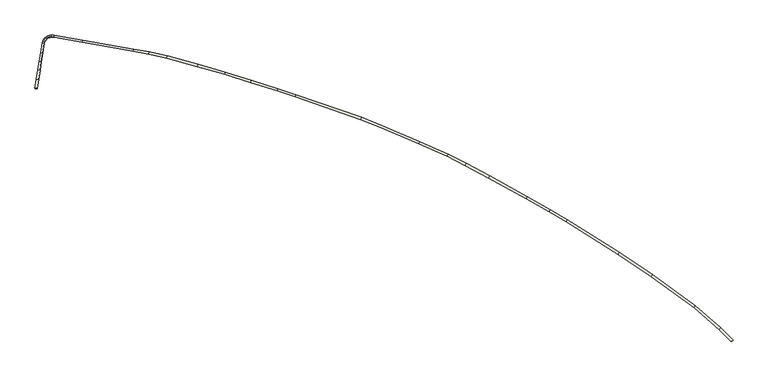
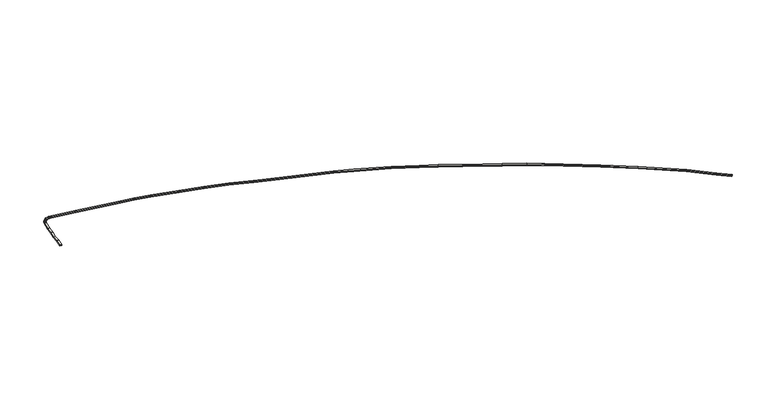
"""IFC4 building model written with IfcOpenShell, lengths in millimetres: wall geometry."""

from ifc_helpers import new_model, si_unit, origin, place, context, project, spatial, faceted_brep, source, transform, mapped, element, save


def wall_0bf5ddca(model_context):
    return source(origin(), model_context, "Body", "Brep", [
        faceted_brep([(149626.2811787, 102196.3320789, -1860.082238), (149448.3820604, 102018.3950708, -1860.5026979), (149454.843103, 102012.2655499, -2000.2191389), (149632.7422213, 102190.2025579, -1999.7986791), (137141.7613192, 111521.5859059, -1975.5420804), (137278.8207194, 111732.6400518, -1975.6538786), (131676.1527047, 115233.5755831, -1900.0361662), (131544.67973, 115019.0306511, -1899.9997664), (137140.9158856, 111522.0738202, -2115.5400807), (131543.9823453, 115019.4260542, -2039.999765), (137277.9752858, 111733.1279661, -2115.651879), (131675.45532, 115233.9709862, -2040.0361648), (129836.2048048, 116339.1278172, -1900.0361662), (129710.3779349, 116121.1903632, -1899.9997664), (129711.2898602, 116120.6187953, -2039.999765), (129837.1167301, 116338.5562493, -2040.0361648), (127329.3050178, 117728.7250603, -1944.0717251), (127207.3188008, 117508.6586976, -1943.9678614), (123133.2807413, 119766.9490946, -1985.3905702), (123133.4875562, 119766.7683801, -2125.3937061), (127208.7756994, 117507.785046, -2083.9582871), (127330.7619164, 117727.8514087, -2084.0621508), (123253.5523599, 119987.8998063, -2125.5171057), (123253.345545, 119988.0805208, -1985.5139698), (120706.597443, 121342.1964116, -1970.9063971), (120590.4105247, 121119.0030839, -1970.8052402), (120590.2068172, 121119.0406437, -2110.8060214), (120706.3937355, 121342.2339715, -2110.9071783), (118738.6059957, 122344.9381384, -1975.8438502), (118630.2463957, 122117.7565928, -1975.7230555), (118628.9456456, 122118.3531237, -2115.7265891), (118737.3052456, 122345.5346694, -2115.8473838), (115679.3914718, 123706.988199, -1899.9221582), (115579.0560545, 123476.234057, -1900.0005027), (115577.6126482, 123476.8941026, -2040.0004959), (115677.9480654, 123707.6482446, -2039.9221514), (111588.3328064, 125443.5395741, -1899.9221582), (109373.5423761, 126338.372997, -1899.9351388), (109285.3951387, 126102.6118359, -1900.0134356), (111492.0404476, 125211.0692556, -1900.0005027), (111492.0571299, 125211.1095303, -2040.0004959), (109286.1785116, 126102.3423475, -2040.0134243), (109374.3257491, 126338.1035086, -2039.9351275), (111588.3494887, 125443.5798488, -2039.9221514), (102257.0530835, 128788.7767659, -1988.9381528), (102175.1354208, 128550.8705901, -1988.9385752), (100227.3887087, 129221.5335294, -1992.2366995), (100225.4598855, 129222.197925, -2132.2401452), (102176.0242145, 128550.5648025, -2128.9372498), (102257.9418771, 128788.4709782, -2128.9368274), (100304.0166694, 129461.261344, -2132.2454138), (100305.9454927, 129460.5969484, -1992.2419681), (97439.5548043, 130357.8220598, -1899.8966209), (97364.3911576, 130117.6965357, -1900.0006676), (94520.1448015, 131008.055092, -1958.5047012), (94522.2569792, 131007.4545264, -2098.4885697), (97363.6661265, 130117.9841256, -2040.0428953), (97438.8297732, 130358.1096497, -2039.9388486), (94594.5253688, 131248.4863773, -2098.4440763), (94592.4131911, 131249.086943, -1958.4602078), (91645.9415363, 132093.9095114, -1994.4415814), (91578.6977198, 131851.436953, -1994.4247162), (91580.3365008, 131850.972196, -2134.4143658), (91647.5803174, 132093.4447544, -2134.431231), (88297.5163505, 132991.1173359, -2038.1068505), (88236.6351869, 132746.9399097, -2038.0070129), (88237.9638852, 132746.5582392, -2178.0007062), (88298.8450488, 132990.7356653, -2178.1005438), (86338.1457236, 133443.4736882, -2052.4616835), (86287.9637087, 133196.826169, -2052.2834612), (86288.745353, 133196.5707958, -2192.2811624), (86338.9273679, 133443.2183151, -2192.4593846), (84657.5258581, 133739.8123148, -2060.1876404), (84613.832161, 133492.0207301, -2059.9795908), (79098.9057052, 134464.433315, -2106.4678193), (76046.0682942, 135002.7145491, -2139.9978748), (76046.8002137, 135002.4679421, -2279.9977567), (79100.2034617, 134464.0869387, -2246.4614864), (84614.6964066, 133491.7507921, -2199.9769122), (84658.3901037, 133739.5423768, -2200.1849618), (79143.897803, 134711.8784098, -2246.6695306), (76079.6751894, 135252.1671012, -2280.3246326), (76078.94327, 135252.4137082, -2140.3247507), (79142.6000465, 134712.2247861, -2106.6758634), (75807.2058481, 135276.2213061, -2140.3247785), (75807.1982955, 135023.6465628, -2139.9979026), (75808.9546998, 135023.3103267, -2279.9977845), (75808.9622523, 135275.8850699, -2280.3246604), (75564.3961608, 135254.978211, -2146.418208), (75608.2407342, 135006.2400317, -2144.9908413), (75610.0821955, 135005.911237, -2284.9885886), (75566.2376222, 135254.6494164, -2286.4159554), (75337.5979102, 135194.2078029, -2146.418208), (75434.7159157, 134959.7441967, -2144.9908413), (75435.0224641, 134959.0041234, -2284.9885886), (75337.9044586, 135193.4677296, -2286.4159554), (75176.6685753, 135101.2952081, -2146.418208), (75331.1610118, 134899.956745, -2144.9908413), (75331.6486598, 134899.3212297, -2284.9885886), (75177.1562234, 135100.6596927, -2286.4159554), (75038.935199, 134963.5618318, -2146.418208), (75232.4162337, 134801.211967, -2144.9908413), (75233.0269475, 134800.6995173, -2284.9885886), (75039.5459128, 134963.0493821, -2286.4159554), (74916.8987801, 134789.2757634, -2146.418208), (75129.2938375, 134653.9379223, -2144.9908413), (75131.1293704, 134655.1746958, -2284.9885886), (74918.7343131, 134790.5125368, -2286.4159554), (74820.5076742, 134622.3214705, -2152.0029705), (75049.3996906, 134515.5572007, -2149.6197936), (75051.2252943, 134516.7767761, -2289.6181162), (74822.3332778, 134623.5410459, -2292.0012931), (74756.9501996, 134447.6987443, -2151.5843485), (75001.6180969, 134384.2783509, -2149.3050796), (75004.8990328, 134389.4964187, -2289.3129877), (74760.2311355, 134452.916812, -2291.5922566), (74580.829576, 133335.7168901, -2248.3318385), (74829.2849285, 133296.209548, -2243.9720251), (74832.4531226, 133300.7157923, -2384.0418652), (74583.9977701, 133340.2231344, -2388.4016786), (74432.3951369, 132398.5387257, -2233.9794268), (74680.8831377, 132359.2375165, -2229.6227702), (74539.8057954, 131467.9987961, -2220.5942644), (74540.5349345, 131457.1004132, -2360.4737186), (74683.0024262, 132357.1212315, -2369.5911895), (74434.5144255, 132396.4224407, -2373.9478461), (74292.0036639, 131496.1282709, -2364.827606), (74291.2745248, 131507.0266538, -2224.9481519), (74124.8090516, 130456.5166136, -2072.9153173), (74373.3412935, 130417.4947319, -2068.5622949), (74374.0392254, 130406.4043546, -2208.413959), (74125.5069835, 130445.4262363, -2212.7669814), (73970.9821236, 129485.2916141, -2060.3286749), (73973.0962679, 129483.1428496, -2200.2962183), (74221.5844288, 129443.8426513, -2195.939589), (74219.4702845, 129445.9914158, -2055.9720456), (148289.3574534, 103533.2558041, -1980.5592774), (148117.6557117, 103349.1214195, -1980.42126), (148120.8684282, 103346.2402246, -2120.4304243), (148292.5701699, 103530.3746093, -2120.5684417), (145557.5798716, 105907.9538267, -1973.1071418), (145400.7969499, 105710.8507097, -1973.009822), (145400.7711519, 105710.7847125, -2113.0101519), (145557.5540737, 105907.8878295, -2113.1074716), (140933.8220124, 109267.3105506, -1986.578142), (140789.4799088, 109061.1686502, -1986.4445768), (140789.4337341, 109061.1174575, -2126.4449661), (140933.7758376, 109267.259358, -2126.5785313)], [[[0, 1, 2, 3]], [[4, 5, 6, 7]], [[8, 4, 7, 9]], [[10, 8, 9, 11]], [[5, 10, 11, 6]], [[7, 6, 12, 13]], [[9, 7, 13, 14]], [[11, 9, 14, 15]], [[6, 11, 15, 12]], [[13, 12, 16, 17]], [[14, 13, 17, 18, 19, 20]], [[15, 14, 20, 21]], [[12, 15, 21, 22, 23, 16]], [[17, 16, 23, 18]], [[21, 20, 19, 22]], [[18, 23, 24, 25]], [[19, 18, 25, 26]], [[22, 19, 26, 27]], [[23, 22, 27, 24]], [[25, 24, 28, 29]], [[26, 25, 29, 30]], [[27, 26, 30, 31]], [[24, 27, 31, 28]], [[29, 28, 32, 33]], [[30, 29, 33, 34]], [[31, 30, 34, 35]], [[28, 31, 35, 32]], [[33, 32, 36, 37, 38, 39]], [[34, 33, 39, 40]], [[35, 34, 40, 41, 42, 43]], [[32, 35, 43, 36]], [[40, 39, 38, 41]], [[36, 43, 42, 37]], [[38, 37, 44, 45]], [[41, 38, 45, 46, 47, 48]], [[42, 41, 48, 49]], [[37, 42, 49, 50, 51, 44]], [[45, 44, 51, 46]], [[49, 48, 47, 50]], [[46, 51, 52, 53]], [[47, 46, 53, 54, 55, 56]], [[50, 47, 56, 57]], [[51, 50, 57, 58, 59, 52]], [[53, 52, 59, 54]], [[57, 56, 55, 58]], [[54, 59, 60, 61]], [[55, 54, 61, 62]], [[58, 55, 62, 63]], [[59, 58, 63, 60]], [[61, 60, 64, 65]], [[62, 61, 65, 66]], [[63, 62, 66, 67]], [[60, 63, 67, 64]], [[65, 64, 68, 69]], [[66, 65, 69, 70]], [[67, 66, 70, 71]], [[64, 67, 71, 68]], [[69, 68, 72, 73]], [[70, 69, 73, 74, 75, 76, 77, 78]], [[71, 70, 78, 79]], [[68, 71, 79, 80, 81, 82, 83, 72]], [[73, 72, 83, 74]], [[79, 78, 77, 80]], [[74, 83, 82, 75]], [[80, 77, 76, 81]], [[75, 82, 84, 85]], [[76, 75, 85, 86]], [[81, 76, 86, 87]], [[82, 81, 87, 84]], [[85, 84, 88, 89]], [[86, 85, 89, 90]], [[87, 86, 90, 91]], [[84, 87, 91, 88]], [[89, 88, 92, 93]], [[90, 89, 93, 94]], [[91, 90, 94, 95]], [[88, 91, 95, 92]], [[93, 92, 96, 97]], [[94, 93, 97, 98]], [[95, 94, 98, 99]], [[92, 95, 99, 96]], [[97, 96, 100, 101]], [[98, 97, 101, 102]], [[99, 98, 102, 103]], [[96, 99, 103, 100]], [[101, 100, 104, 105]], [[102, 101, 105, 106]], [[103, 102, 106, 107]], [[100, 103, 107, 104]], [[105, 104, 108, 109]], [[106, 105, 109, 110]], [[107, 106, 110, 111]], [[104, 107, 111, 108]], [[109, 108, 112, 113]], [[110, 109, 113, 114]], [[111, 110, 114, 115]], [[108, 111, 115, 112]], [[113, 112, 116, 117]], [[114, 113, 117, 118]], [[115, 114, 118, 119]], [[112, 115, 119, 116]], [[117, 116, 120, 121]], [[118, 117, 121, 122, 123, 124]], [[119, 118, 124, 125]], [[116, 119, 125, 126, 127, 120]], [[121, 120, 127, 122]], [[125, 124, 123, 126]], [[122, 127, 128, 129]], [[123, 122, 129, 130]], [[126, 123, 130, 131]], [[127, 126, 131, 128]], [[132, 133, 134, 135]], [[129, 128, 132, 135]], [[130, 129, 135, 134]], [[131, 130, 134, 133]], [[128, 131, 133, 132]], [[1, 0, 136, 137]], [[2, 1, 137, 138]], [[3, 2, 138, 139]], [[0, 3, 139, 136]], [[137, 136, 140, 141]], [[138, 137, 141, 142]], [[139, 138, 142, 143]], [[136, 139, 143, 140]], [[141, 140, 144, 145]], [[142, 141, 145, 146]], [[143, 142, 146, 147]], [[140, 143, 147, 144]], [[145, 144, 5, 4]], [[146, 145, 4, 8]], [[147, 146, 8, 10]], [[144, 147, 10, 5]]]),
    ])


if __name__ == "__main__":
    model = new_model("IFC4")
    model_context = context("Model", 3, world=origin())
    ifc_project = project(units=[si_unit("LENGTHUNIT", "METRE", prefix="MILLI")], contexts=[model_context])
    site = spatial("IfcSite", under=ifc_project)
    building = spatial("IfcBuilding", under=site)
    placement = place(None, origin())
    wall_shape = wall_0bf5ddca(model_context)
    element("IfcWall", 1, at=placement, inside=building, context=model_context, shape_type="MappedRepresentation", body=[
        mapped(wall_shape, transform((0.0, 0.0, 0.0), x_axis=(1.0, 0.0, 0.0), y_axis=(0.0, 1.0, 0.0), z_axis=(0.0, 0.0, 1.0))),
    ])
    save(model, "model.ifc")
